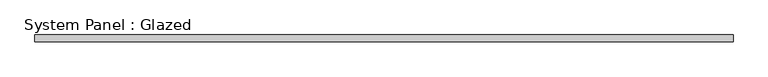
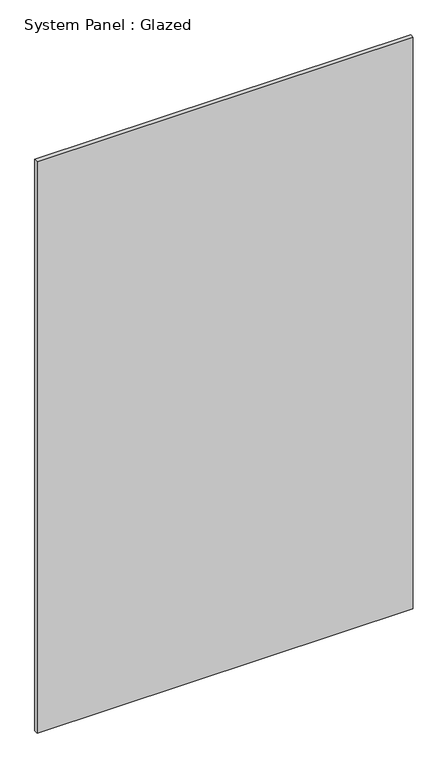
"""IFC4 building model written with IfcOpenShell, lengths in millimetres: plate geometry, System Panel : Glazed."""

from ifc_helpers import new_model, si_unit, origin, origin_with_axes, place, context, project, spatial, polyline, outline, extrude, source, transform, mapped, element, save


def system_panel_glazed_f0c60a00(model_context):
    return source(origin(), model_context, "Body", "SweptSolid", [
        extrude(outline(polyline([(1250.0, -49.5), (-1250.0, -49.5), (-1250.0, -24.5), (1250.0, -24.5), (1250.0, -49.5)])), origin_with_axes(), (0.0, 0.0, 1.0), 4015.0),
    ])


if __name__ == "__main__":
    model = new_model("IFC4")
    model_context = context("Model", 3, world=origin())
    ifc_project = project(units=[si_unit("LENGTHUNIT", "METRE", prefix="MILLI")], contexts=[model_context])
    site = spatial("IfcSite", under=ifc_project)
    building = spatial("IfcBuilding", under=site)
    placement = place(None, origin())
    system_panel_glazed_shape = system_panel_glazed_f0c60a00(model_context)
    element("IfcPlate", 1, ObjectType="System Panel : Glazed", at=placement, inside=building, context=model_context, shape_type="MappedRepresentation", body=[
        mapped(system_panel_glazed_shape, transform((0.0, 0.0, 0.0), x_axis=(1.0, 0.0, 0.0), y_axis=(0.0, 1.0, 0.0), z_axis=(0.0, 0.0, 1.0))),
    ])
    save(model, "model.ifc")
